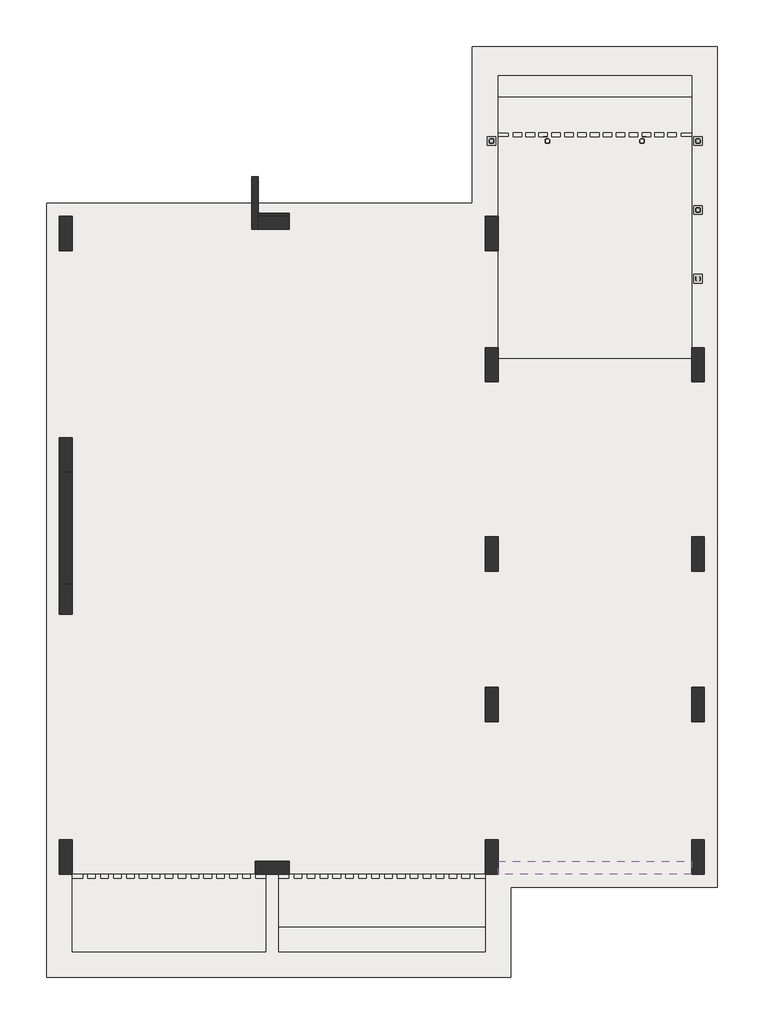
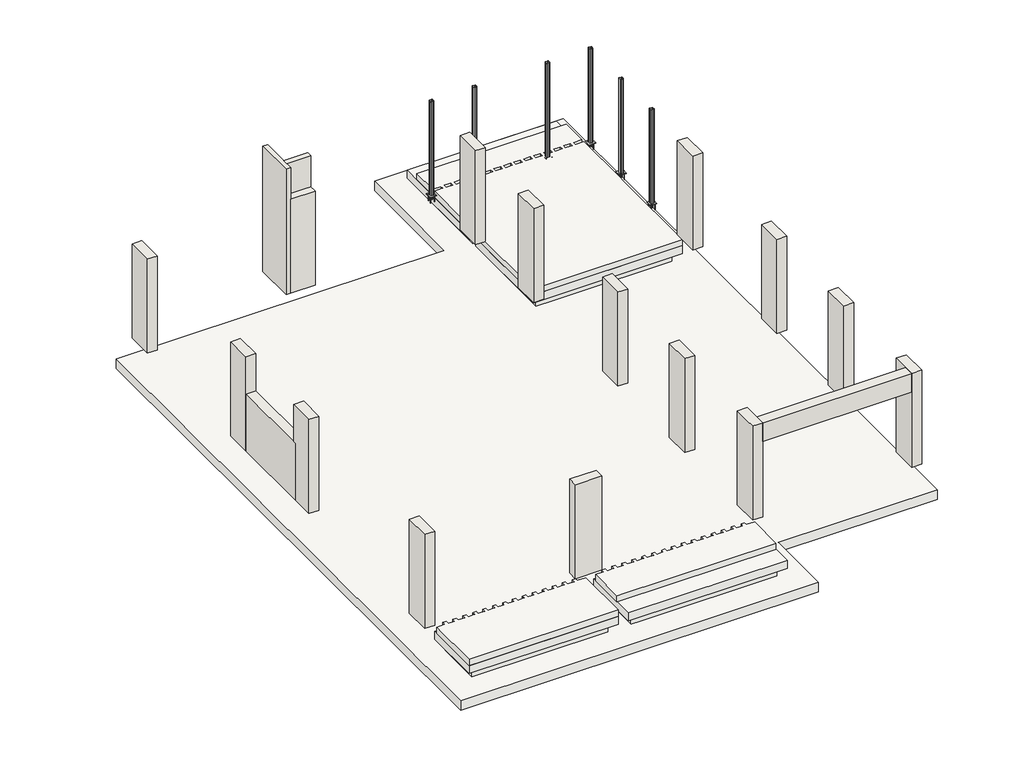
# One storey: 30 reinforcing bars, 19 walls, 7 slabs, 6 columns.
"""IFC4 building model written with IfcOpenShell, lengths in millimetres."""

import ifcopenshell
import ifcopenshell.guid

model = None  # the IFC model being written
_history = None  # IfcOwnerHistory: only IFC2X3 demands one
_inside = {}  # id of a spatial element -> (the spatial element, [elements in it])
_under = {}  # id of a project, library or spatial element -> (it, [spatial elements below it])
_declared = {}  # id of a project -> (the project, [libraries it declares])
_typed = {}  # id of a type object -> (the type object, [elements of that type])
_made_of = {}  # id of a material, layer set ... -> (it, [elements and type objects made of it])


def new_model(schema):
    """Start an empty IFC model of exactly this schema.

    Asked for "IFC4X3", IfcOpenShell would pick the latest addendum, in which some entities
    have other attributes; the version numbers below select the first issue.
    IFC2X3 requires an IfcOwnerHistory on every rooted entity: one is made here for all.
    """
    global model, _history
    if schema == "IFC4X3":
        model = ifcopenshell.file(schema_version=(4, 3, 0, 0))
    else:
        model = ifcopenshell.file(schema=schema)
    _inside.clear()
    _under.clear()
    _declared.clear()
    _typed.clear()
    _made_of.clear()
    _history = None
    if model.schema == "IFC2X3":
        org = make("IfcOrganization", Name="unknown")
        user = make(
            "IfcPersonAndOrganization",
            ThePerson=make("IfcPerson", FamilyName="unknown"),
            TheOrganization=org,
        )
        app = make(
            "IfcApplication",
            ApplicationDeveloper=org,
            Version="unknown",
            ApplicationFullName="unknown",
            ApplicationIdentifier="unknown",
        )
        _history = make(
            "IfcOwnerHistory",
            OwningUser=user,
            OwningApplication=app,
            ChangeAction="ADDED",
            CreationDate=0,
        )
    return model


def make(cls, **values):
    """One entity of the class cls with the attributes given. An attribute that is None is left unset."""
    return model.create_entity(
        cls, **{name: value for name, value in values.items() if value is not None}
    )


def rooted(cls, **values):
    """An entity with a GlobalId (a new one), such as an element, a storey or a relation."""
    return make(cls, GlobalId=ifcopenshell.guid.new(), OwnerHistory=_history, **values)


def si_unit(unit_type, name, prefix=None):
    """IfcSIUnit, for example si_unit("LENGTHUNIT", "METRE", prefix="MILLI")."""
    return make("IfcSIUnit", UnitType=unit_type, Prefix=prefix, Name=name)


def assignment(units):
    """IfcUnitAssignment: the units of a project."""
    return None if units is None else make("IfcUnitAssignment", Units=units)


def point(xyz):
    """IfcCartesianPoint."""
    return None if xyz is None else make("IfcCartesianPoint", Coordinates=xyz)


def direction(xyz):
    """IfcDirection."""
    return None if xyz is None else make("IfcDirection", DirectionRatios=xyz)


def frame(location, z_axis=None, x_axis=None):
    """IfcAxis2Placement3D, a coordinate frame: its origin and axes. An axis left out is left unset."""
    return make(
        "IfcAxis2Placement3D",
        Location=point(location),
        Axis=direction(z_axis),
        RefDirection=direction(x_axis),
    )


def frame_2d(location, x_axis=None):
    """IfcAxis2Placement2D, a coordinate frame in the plane: its origin and x axis."""
    return make(
        "IfcAxis2Placement2D", Location=point(location), RefDirection=direction(x_axis)
    )


def origin():
    """The frame at (0, 0, 0) with its axes left unset."""
    return frame((0.0, 0.0, 0.0))


def origin_with_axes():
    """The frame at (0, 0, 0) with the z axis (0, 0, 1) and the x axis (1, 0, 0) written out."""
    return frame((0.0, 0.0, 0.0), z_axis=(0.0, 0.0, 1.0), x_axis=(1.0, 0.0, 0.0))


def place(relative_to, where):
    """IfcLocalPlacement: puts the frame where relative to a parent placement (None: the world)."""
    return make(
        "IfcLocalPlacement", PlacementRelTo=relative_to, RelativePlacement=where
    )


def context(
    kind, dimensions, precision=None, world=None, true_north=None, identifier=None
):
    """IfcGeometricRepresentationContext, for example the 3D "Model" context."""
    return make(
        "IfcGeometricRepresentationContext",
        ContextIdentifier=identifier,
        ContextType=kind,
        CoordinateSpaceDimension=dimensions,
        Precision=precision,
        WorldCoordinateSystem=world,
        TrueNorth=true_north,
    )


def project(units=None, contexts=None):
    """IfcProject with its units and contexts."""
    return rooted(
        "IfcProject",
        Name="project",
        RepresentationContexts=contexts,
        UnitsInContext=assignment(units),
    )


def spatial(cls, under=None, at=None, **own):
    """A site, building, storey or space (cls), placed at a placement, below another one or the project."""
    s = rooted(cls, ObjectPlacement=at, **own)
    if under is not None:
        _under.setdefault(under.id(), (under, []))[1].append(s)
    return s


def polyline(points):
    """IfcPolyline through the points."""
    return make("IfcPolyline", Points=[point(p) for p in points])


def circle_curve(where, radius):
    """IfcCircle in the frame where."""
    return make("IfcCircle", Position=where, Radius=radius)


def trimmed(basis, trim1, trim2, sense, master):
    """IfcTrimmedCurve: the piece of a basis curve between two trims."""
    return make(
        "IfcTrimmedCurve",
        BasisCurve=basis,
        Trim1=trim1,
        Trim2=trim2,
        SenseAgreement=sense,
        MasterRepresentation=master,
    )


def segment(curve, same_sense, transition):
    """IfcCompositeCurveSegment."""
    return make(
        "IfcCompositeCurveSegment",
        Transition=transition,
        SameSense=same_sense,
        ParentCurve=curve,
    )


def composite_curve(segments, self_intersect=None):
    """IfcCompositeCurve: segments joined end to end."""
    return make("IfcCompositeCurve", Segments=segments, SelfIntersect=self_intersect)


def outline(outer, holes=None, kind="AREA"):
    """IfcArbitraryClosedProfileDef: a profile drawn as a closed curve; with holes, ...WithVoids."""
    if holes is None:
        return make("IfcArbitraryClosedProfileDef", ProfileType=kind, OuterCurve=outer)
    return make(
        "IfcArbitraryProfileDefWithVoids",
        ProfileType=kind,
        OuterCurve=outer,
        InnerCurves=holes,
    )


def extrude(swept, where, along, depth):
    """IfcExtrudedAreaSolid: the profile swept, set in the frame where, extruded along a direction by depth."""
    return make(
        "IfcExtrudedAreaSolid",
        SweptArea=swept,
        Position=where,
        ExtrudedDirection=direction(along),
        Depth=depth,
    )


def faces_of(points, faces, orient=None, outer=None):
    """IfcFace entities. A face is a list of loops; a loop is a list of indices into points, from 0.

    orient and outer hold one flag for each loop. By default every Orientation is true, the
    first loop of a face is its IfcFaceOuterBound and the others are IfcFaceBound.
    """
    made = []
    for i, loops in enumerate(faces):
        bounds = []
        for j, loop in enumerate(loops):
            is_outer = j == 0 if outer is None else outer[i][j]
            bounds.append(
                make(
                    "IfcFaceOuterBound" if is_outer else "IfcFaceBound",
                    Bound=make("IfcPolyLoop", Polygon=[points[k] for k in loop]),
                    Orientation=True if orient is None else orient[i][j],
                )
            )
        made.append(make("IfcFace", Bounds=bounds))
    return made


def faceted_brep(points, faces, orient=None, outer=None, voids=None):
    """IfcFacetedBrep: a solid bounded by flat faces; with voids (closed shells), ...WithVoids."""
    shared = [point(p) for p in points]
    hull = make("IfcClosedShell", CfsFaces=faces_of(shared, faces, orient, outer))
    if voids is None:
        return make("IfcFacetedBrep", Outer=hull)
    return make(
        "IfcFacetedBrepWithVoids",
        Outer=hull,
        Voids=[
            make(cls, CfsFaces=faces_of(shared, fs, o, b)) for cls, fs, o, b in voids
        ],
    )


def shape(context_of_items, identifier, shape_type, items):
    """IfcShapeRepresentation: the items that make up one representation, for example the "Body"."""
    return make(
        "IfcShapeRepresentation",
        ContextOfItems=context_of_items,
        RepresentationIdentifier=identifier,
        RepresentationType=shape_type,
        Items=items,
    )


def source(mapping_origin, context_of_items, identifier, shape_type, items):
    """IfcRepresentationMap: a shape defined once, which mapped items show again and again."""
    return make(
        "IfcRepresentationMap",
        MappingOrigin=mapping_origin,
        MappedRepresentation=shape(context_of_items, identifier, shape_type, items),
    )


def transform(
    local_origin,
    x_axis=None,
    y_axis=None,
    z_axis=None,
    scale=None,
    scale2=None,
    scale3=None,
    uniform=True,
):
    """IfcCartesianTransformationOperator3D, or its non-uniform kind. x_axis, y_axis, z_axis: its Axis1, 2, 3."""
    if uniform:
        return make(
            "IfcCartesianTransformationOperator3D",
            Axis1=direction(x_axis),
            Axis2=direction(y_axis),
            LocalOrigin=point(local_origin),
            Scale=scale,
            Axis3=direction(z_axis),
        )
    return make(
        "IfcCartesianTransformationOperator3DnonUniform",
        Axis1=direction(x_axis),
        Axis2=direction(y_axis),
        LocalOrigin=point(local_origin),
        Scale=scale,
        Axis3=direction(z_axis),
        Scale2=scale2,
        Scale3=scale3,
    )


def mapped(mapping_source, mapping_target):
    """IfcMappedItem: shows the shape of a source again, moved by a transform."""
    return make(
        "IfcMappedItem", MappingSource=mapping_source, MappingTarget=mapping_target
    )


def made_of(thing, what):
    """Note that an element or type object is made of a material, layer set ...; save() writes the relation."""
    if what is not None:
        _made_of.setdefault(what.id(), (what, []))[1].append(thing)
    return thing


def element(
    cls,
    number,
    at=None,
    inside=None,
    cuts=None,
    type_object=None,
    material=None,
    context=None,
    identifier="Body",
    shape_type=None,
    held_by="IfcProductDefinitionShape",
    body=None,
    shapes=None,
    **own,
):
    """One element of the class cls, such as IfcWall. Its Tag is "e" and its number.

    at: its placement. inside: the storey or other place that contains it. cuts: it is an
    opening in that element (IfcRelVoidsElement). A single representation is given by context,
    identifier, shape_type and body (its items); several are given by shapes. held_by: the class
    of the entity that holds the representations. save() writes the other relations.
    """
    e = rooted(cls, Tag="e%d" % number, ObjectPlacement=at, **own)
    if body is not None:
        shapes = [shape(context, identifier, shape_type, body)]
    if shapes is not None:
        e.Representation = make(held_by, Representations=shapes)
    if inside is not None:
        _inside.setdefault(inside.id(), (inside, []))[1].append(e)
    if cuts is not None:
        rooted(
            "IfcRelVoidsElement", RelatingBuildingElement=cuts, RelatedOpeningElement=e
        )
    if type_object is not None:
        _typed.setdefault(type_object.id(), (type_object, []))[1].append(e)
    return made_of(e, material)


def aggregate(whole, parts):
    """IfcRelAggregates: a whole, such as a stair, and the parts it consists of."""
    return rooted("IfcRelAggregates", RelatingObject=whole, RelatedObjects=parts)


def save(model, path):
    """Write the relations noted so far, then the file.

    IfcRelAggregates (storeys below a building ...), IfcRelContainedInSpatialStructure (elements
    in a storey), IfcRelDefinesByType, IfcRelAssociatesMaterial and IfcRelDeclares: one each for
    every whole, place, type object, material and project.
    """
    for whole, parts in _under.values():
        aggregate(whole, parts)
    for where, things in _inside.values():
        rooted(
            "IfcRelContainedInSpatialStructure",
            RelatedElements=things,
            RelatingStructure=where,
        )
    for kind, things in _typed.values():
        rooted("IfcRelDefinesByType", RelatedObjects=things, RelatingType=kind)
    for what, things in _made_of.values():
        rooted("IfcRelAssociatesMaterial", RelatedObjects=things, RelatingMaterial=what)
    for by, libraries in _declared.values():
        rooted("IfcRelDeclares", RelatingContext=by, RelatedDefinitions=libraries)
    model.write(path)


def column_100x100x8_b4bd9420(model_context):
    return source(origin(), model_context, "Body", "SweptSolid", [
        extrude(outline(composite_curve([segment(trimmed(circle_curve(frame_2d((30.0, 30.0)), 20.0), [point((30.0, 50.0))], [point((50.0, 30.0))], False, "CARTESIAN"), True, "CONTINUOUS"), segment(polyline([(50.0, 30.0), (50.0, -30.0)]), True, "CONTINUOUS"), segment(trimmed(circle_curve(frame_2d((30.0, -30.0)), 20.0), [point((50.0, -30.0))], [point((30.0, -50.0))], False, "CARTESIAN"), True, "CONTINUOUS"), segment(polyline([(30.0, -50.0), (-30.0, -50.0)]), True, "CONTINUOUS"), segment(trimmed(circle_curve(frame_2d((-30.0, -30.0)), 20.0), [point((-30.0, -50.0))], [point((-50.0, -30.0))], False, "CARTESIAN"), True, "CONTINUOUS"), segment(polyline([(-50.0, -30.0), (-50.0, 30.0)]), True, "CONTINUOUS"), segment(trimmed(circle_curve(frame_2d((-30.0, 30.0)), 20.0), [point((-50.0, 30.0))], [point((-30.0, 50.0))], False, "CARTESIAN"), True, "CONTINUOUS"), segment(polyline([(-30.0, 50.0), (30.0, 50.0)]), True, "CONTINUOUS")], self_intersect=False), holes=[composite_curve([segment(polyline([(30.0, 42.0), (-30.0, 42.0)]), True, "CONTINUOUS"), segment(trimmed(circle_curve(frame_2d((-30.0, 30.0)), 12.0), [point((-30.0, 42.0))], [point((-42.0, 30.0))], True, "CARTESIAN"), True, "CONTINUOUS"), segment(polyline([(-42.0, 30.0), (-42.0, -30.0)]), True, "CONTINUOUS"), segment(trimmed(circle_curve(frame_2d((-30.0, -30.0)), 12.0), [point((-42.0, -30.0))], [point((-30.0, -42.0))], True, "CARTESIAN"), True, "CONTINUOUS"), segment(polyline([(-30.0, -42.0), (30.0, -42.0)]), True, "CONTINUOUS"), segment(trimmed(circle_curve(frame_2d((30.0, -30.0)), 12.0), [point((30.0, -42.0))], [point((42.0, -30.0))], True, "CARTESIAN"), True, "CONTINUOUS"), segment(polyline([(42.0, -30.0), (42.0, 30.0)]), True, "CONTINUOUS"), segment(trimmed(circle_curve(frame_2d((30.0, 30.0)), 12.0), [point((42.0, 30.0))], [point((30.0, 42.0))], True, "CARTESIAN"), True, "CONTINUOUS")], self_intersect=False)]), origin_with_axes(), (0.0, 0.0, 1.0), 3000.0),
    ])


def reinforcing_bar_fb9bd469(model_context):
    return source(origin(), model_context, "Body", "SweptSolid", [
        extrude(outline(polyline([(262.1999552, 116.8318829), (262.1999552, -83.1681171), (62.1999552, -83.1681171), (62.1999552, 116.8318829), (262.1999552, 116.8318829)])), origin_with_axes(), (0.0, 0.0, 1.0), 8.0),
    ])


def ifc_1_e9caa0bd(model_context):
    return source(origin(), model_context, "Body", "SweptSolid", [
        extrude(outline(composite_curve([segment(trimmed(circle_curve(frame_2d((62.1999552, 16.8318829)), 6.0), [point((56.1999552, 16.8318829))], [point((68.1999552, 16.8318829))], False, "CARTESIAN"), True, "CONTINUOUS"), segment(trimmed(circle_curve(frame_2d((62.1999552, 16.8318829)), 6.0), [point((68.1999552, 16.8318829))], [point((56.1999552, 16.8318829))], False, "CARTESIAN"), True, "CONTINUOUS")], self_intersect=False)), origin_with_axes(), (0.0, 0.0, 1.0), 200.0),
    ])


model = new_model("IFC4")

# Units and contexts
model_context = context("Model", 3, world=origin())
ifc_project = project(units=[si_unit("LENGTHUNIT", "METRE", prefix="MILLI")], contexts=[model_context])

# Site, building, storey
site = spatial("IfcSite", under=ifc_project)
building = spatial("IfcBuilding", under=site)
storey = spatial("IfcBuildingStorey", under=building, Elevation=-50.0)

# Columns
placement = place(None, origin())
column_100x100x8_shape = column_100x100x8_b4bd9420(model_context)
element("IfcColumn", 1, ObjectType="100x100x8", at=placement, inside=storey, context=model_context, shape_type="MappedRepresentation", body=[
    mapped(column_100x100x8_shape, transform((14764.4559604, 22422.6573753, -50.0), x_axis=(-1.0, 0.0, 0.0), y_axis=(0.0, -1.0, 0.0), z_axis=(0.0, 0.0, 1.0))),
])
element("IfcColumn", 2, ObjectType="100x100x8", at=placement, inside=storey, context=model_context, shape_type="MappedRepresentation", body=[
    mapped(column_100x100x8_shape, transform((16064.4559604, 22422.6573753, -50.0), x_axis=(-1.0, 0.0, 0.0), y_axis=(0.0, -1.0, 0.0), z_axis=(0.0, 0.0, 1.0))),
])
element("IfcColumn", 3, ObjectType="100x100x8", at=placement, inside=storey, context=model_context, shape_type="MappedRepresentation", body=[
    mapped(column_100x100x8_shape, transform((18264.4559604, 22422.6573753, -50.0), x_axis=(-1.0, 0.0, 0.0), y_axis=(0.0, -1.0, 0.0), z_axis=(0.0, 0.0, 1.0))),
])
element("IfcColumn", 4, ObjectType="100x100x8", at=placement, inside=storey, context=model_context, shape_type="MappedRepresentation", body=[
    mapped(column_100x100x8_shape, transform((19564.4559604, 22422.6573753, -50.0), x_axis=(-1.0, 0.0, 0.0), y_axis=(0.0, -1.0, 0.0), z_axis=(0.0, 0.0, 1.0))),
])
element("IfcColumn", 5, ObjectType="100x100x8", at=placement, inside=storey, context=model_context, shape_type="MappedRepresentation", body=[
    mapped(column_100x100x8_shape, transform((19564.4559604, 20822.6573753, -50.0), x_axis=(-1.0, 0.0, 0.0), y_axis=(0.0, -1.0, 0.0), z_axis=(0.0, 0.0, 1.0))),
])
element("IfcColumn", 6, ObjectType="100x100x8", at=placement, inside=storey, context=model_context, shape_type="MappedRepresentation", body=[
    mapped(column_100x100x8_shape, transform((19564.4559604, 19222.6573753, -50.0), x_axis=(-1.0, 0.0, 0.0), y_axis=(0.0, -1.0, 0.0), z_axis=(0.0, 0.0, 1.0))),
])

# Reinforcing bars
reinforcing_bar_shape = reinforcing_bar_fb9bd469(model_context)
element("IfcReinforcingBar", 7, at=placement, inside=storey, context=model_context, shape_type="MappedRepresentation", body=[
    mapped(reinforcing_bar_shape, transform((14602.2560052, 22439.4892582, -50.0), x_axis=(1.0, 0.0, 0.0), y_axis=(0.0, -1.0, 0.0), z_axis=(0.0, 0.0, -1.0))),
])
element("IfcReinforcingBar", 8, at=placement, inside=storey, context=model_context, shape_type="MappedRepresentation", body=[
    mapped(reinforcing_bar_shape, transform((15902.2560052, 22439.4892582, -50.0), x_axis=(1.0, 0.0, 0.0), y_axis=(0.0, -1.0, 0.0), z_axis=(0.0, 0.0, -1.0))),
])
element("IfcReinforcingBar", 9, at=placement, inside=storey, context=model_context, shape_type="MappedRepresentation", body=[
    mapped(reinforcing_bar_shape, transform((18102.2560052, 22439.4892582, -50.0), x_axis=(1.0, 0.0, 0.0), y_axis=(0.0, -1.0, 0.0), z_axis=(0.0, 0.0, -1.0))),
])
element("IfcReinforcingBar", 10, at=placement, inside=storey, context=model_context, shape_type="MappedRepresentation", body=[
    mapped(reinforcing_bar_shape, transform((19402.2560052, 22439.4892582, -50.0), x_axis=(1.0, 0.0, 0.0), y_axis=(0.0, -1.0, 0.0), z_axis=(0.0, 0.0, -1.0))),
])
element("IfcReinforcingBar", 11, at=placement, inside=storey, context=model_context, shape_type="MappedRepresentation", body=[
    mapped(reinforcing_bar_shape, transform((19402.2560052, 20839.4892582, -50.0), x_axis=(1.0, 0.0, 0.0), y_axis=(0.0, -1.0, 0.0), z_axis=(0.0, 0.0, -1.0))),
])
element("IfcReinforcingBar", 12, at=placement, inside=storey, context=model_context, shape_type="MappedRepresentation", body=[
    mapped(reinforcing_bar_shape, transform((19402.2560052, 19239.4892582, -50.0), x_axis=(1.0, 0.0, 0.0), y_axis=(0.0, -1.0, 0.0), z_axis=(0.0, 0.0, -1.0))),
])
ifc_1_shape = ifc_1_e9caa0bd(model_context)
element("IfcReinforcingBar", 13, ObjectType="IFC_1", at=placement, inside=storey, context=model_context, shape_type="MappedRepresentation", body=[
    mapped(ifc_1_shape, transform((14642.2560052, 22499.4892582, -58.0), x_axis=(1.0, 0.0, 0.0), y_axis=(0.0, -1.0, 0.0), z_axis=(0.0, 0.0, -1.0))),
])
element("IfcReinforcingBar", 14, ObjectType="IFC_1", at=placement, inside=storey, context=model_context, shape_type="MappedRepresentation", body=[
    mapped(ifc_1_shape, transform((14762.2560052, 22499.4892582, -58.0), x_axis=(1.0, 0.0, 0.0), y_axis=(0.0, -1.0, 0.0), z_axis=(0.0, 0.0, -1.0))),
])
element("IfcReinforcingBar", 15, ObjectType="IFC_1", at=placement, inside=storey, context=model_context, shape_type="MappedRepresentation", body=[
    mapped(ifc_1_shape, transform((14642.2560052, 22379.4892582, -58.0), x_axis=(1.0, 0.0, 0.0), y_axis=(0.0, -1.0, 0.0), z_axis=(0.0, 0.0, -1.0))),
])
element("IfcReinforcingBar", 16, ObjectType="IFC_1", at=placement, inside=storey, context=model_context, shape_type="MappedRepresentation", body=[
    mapped(ifc_1_shape, transform((14762.2560052, 22379.4892582, -58.0), x_axis=(1.0, 0.0, 0.0), y_axis=(0.0, -1.0, 0.0), z_axis=(0.0, 0.0, -1.0))),
])
element("IfcReinforcingBar", 17, ObjectType="IFC_1", at=placement, inside=storey, context=model_context, shape_type="MappedRepresentation", body=[
    mapped(ifc_1_shape, transform((15942.2560052, 22499.4892582, -58.0), x_axis=(1.0, 0.0, 0.0), y_axis=(0.0, -1.0, 0.0), z_axis=(0.0, 0.0, -1.0))),
])
element("IfcReinforcingBar", 18, ObjectType="IFC_1", at=placement, inside=storey, context=model_context, shape_type="MappedRepresentation", body=[
    mapped(ifc_1_shape, transform((16062.2560052, 22499.4892582, -58.0), x_axis=(1.0, 0.0, 0.0), y_axis=(0.0, -1.0, 0.0), z_axis=(0.0, 0.0, -1.0))),
])
element("IfcReinforcingBar", 19, ObjectType="IFC_1", at=placement, inside=storey, context=model_context, shape_type="MappedRepresentation", body=[
    mapped(ifc_1_shape, transform((15942.2560052, 22379.4892582, -58.0), x_axis=(1.0, 0.0, 0.0), y_axis=(0.0, -1.0, 0.0), z_axis=(0.0, 0.0, -1.0))),
])
element("IfcReinforcingBar", 20, ObjectType="IFC_1", at=placement, inside=storey, context=model_context, shape_type="MappedRepresentation", body=[
    mapped(ifc_1_shape, transform((16062.2560052, 22379.4892582, -58.0), x_axis=(1.0, 0.0, 0.0), y_axis=(0.0, -1.0, 0.0), z_axis=(0.0, 0.0, -1.0))),
])
element("IfcReinforcingBar", 21, ObjectType="IFC_1", at=placement, inside=storey, context=model_context, shape_type="MappedRepresentation", body=[
    mapped(ifc_1_shape, transform((18142.2560052, 22499.4892582, -58.0), x_axis=(1.0, 0.0, 0.0), y_axis=(0.0, -1.0, 0.0), z_axis=(0.0, 0.0, -1.0))),
])
element("IfcReinforcingBar", 22, ObjectType="IFC_1", at=placement, inside=storey, context=model_context, shape_type="MappedRepresentation", body=[
    mapped(ifc_1_shape, transform((18262.2560052, 22499.4892582, -58.0), x_axis=(1.0, 0.0, 0.0), y_axis=(0.0, -1.0, 0.0), z_axis=(0.0, 0.0, -1.0))),
])
element("IfcReinforcingBar", 23, ObjectType="IFC_1", at=placement, inside=storey, context=model_context, shape_type="MappedRepresentation", body=[
    mapped(ifc_1_shape, transform((18142.2560052, 22379.4892582, -58.0), x_axis=(1.0, 0.0, 0.0), y_axis=(0.0, -1.0, 0.0), z_axis=(0.0, 0.0, -1.0))),
])
element("IfcReinforcingBar", 24, ObjectType="IFC_1", at=placement, inside=storey, context=model_context, shape_type="MappedRepresentation", body=[
    mapped(ifc_1_shape, transform((18262.2560052, 22379.4892582, -58.0), x_axis=(1.0, 0.0, 0.0), y_axis=(0.0, -1.0, 0.0), z_axis=(0.0, 0.0, -1.0))),
])
element("IfcReinforcingBar", 25, ObjectType="IFC_1", at=placement, inside=storey, context=model_context, shape_type="MappedRepresentation", body=[
    mapped(ifc_1_shape, transform((19442.2560052, 22499.4892582, -58.0), x_axis=(1.0, 0.0, 0.0), y_axis=(0.0, -1.0, 0.0), z_axis=(0.0, 0.0, -1.0))),
])
element("IfcReinforcingBar", 26, ObjectType="IFC_1", at=placement, inside=storey, context=model_context, shape_type="MappedRepresentation", body=[
    mapped(ifc_1_shape, transform((19562.2560052, 22499.4892582, -58.0), x_axis=(1.0, 0.0, 0.0), y_axis=(0.0, -1.0, 0.0), z_axis=(0.0, 0.0, -1.0))),
])
element("IfcReinforcingBar", 27, ObjectType="IFC_1", at=placement, inside=storey, context=model_context, shape_type="MappedRepresentation", body=[
    mapped(ifc_1_shape, transform((19442.2560052, 22379.4892582, -58.0), x_axis=(1.0, 0.0, 0.0), y_axis=(0.0, -1.0, 0.0), z_axis=(0.0, 0.0, -1.0))),
])
element("IfcReinforcingBar", 28, ObjectType="IFC_1", at=placement, inside=storey, context=model_context, shape_type="MappedRepresentation", body=[
    mapped(ifc_1_shape, transform((19562.2560052, 22379.4892582, -58.0), x_axis=(1.0, 0.0, 0.0), y_axis=(0.0, -1.0, 0.0), z_axis=(0.0, 0.0, -1.0))),
])
element("IfcReinforcingBar", 29, ObjectType="IFC_1", at=placement, inside=storey, context=model_context, shape_type="MappedRepresentation", body=[
    mapped(ifc_1_shape, transform((19442.2560052, 20899.4892582, -58.0), x_axis=(1.0, 0.0, 0.0), y_axis=(0.0, -1.0, 0.0), z_axis=(0.0, 0.0, -1.0))),
])
element("IfcReinforcingBar", 30, ObjectType="IFC_1", at=placement, inside=storey, context=model_context, shape_type="MappedRepresentation", body=[
    mapped(ifc_1_shape, transform((19562.2560052, 20899.4892582, -58.0), x_axis=(1.0, 0.0, 0.0), y_axis=(0.0, -1.0, 0.0), z_axis=(0.0, 0.0, -1.0))),
])
element("IfcReinforcingBar", 31, ObjectType="IFC_1", at=placement, inside=storey, context=model_context, shape_type="MappedRepresentation", body=[
    mapped(ifc_1_shape, transform((19442.2560052, 20779.4892582, -58.0), x_axis=(1.0, 0.0, 0.0), y_axis=(0.0, -1.0, 0.0), z_axis=(0.0, 0.0, -1.0))),
])
element("IfcReinforcingBar", 32, ObjectType="IFC_1", at=placement, inside=storey, context=model_context, shape_type="MappedRepresentation", body=[
    mapped(ifc_1_shape, transform((19562.2560052, 20779.4892582, -58.0), x_axis=(1.0, 0.0, 0.0), y_axis=(0.0, -1.0, 0.0), z_axis=(0.0, 0.0, -1.0))),
])
element("IfcReinforcingBar", 33, ObjectType="IFC_1", at=placement, inside=storey, context=model_context, shape_type="MappedRepresentation", body=[
    mapped(ifc_1_shape, transform((19442.2560052, 19299.4892582, -58.0), x_axis=(1.0, 0.0, 0.0), y_axis=(0.0, -1.0, 0.0), z_axis=(0.0, 0.0, -1.0))),
])
element("IfcReinforcingBar", 34, ObjectType="IFC_1", at=placement, inside=storey, context=model_context, shape_type="MappedRepresentation", body=[
    mapped(ifc_1_shape, transform((19562.2560052, 19299.4892582, -58.0), x_axis=(1.0, 0.0, 0.0), y_axis=(0.0, -1.0, 0.0), z_axis=(0.0, 0.0, -1.0))),
])
element("IfcReinforcingBar", 35, ObjectType="IFC_1", at=placement, inside=storey, context=model_context, shape_type="MappedRepresentation", body=[
    mapped(ifc_1_shape, transform((19442.2560052, 19179.4892582, -58.0), x_axis=(1.0, 0.0, 0.0), y_axis=(0.0, -1.0, 0.0), z_axis=(0.0, 0.0, -1.0))),
])
element("IfcReinforcingBar", 36, ObjectType="IFC_1", at=placement, inside=storey, context=model_context, shape_type="MappedRepresentation", body=[
    mapped(ifc_1_shape, transform((19562.2560052, 19179.4892582, -58.0), x_axis=(1.0, 0.0, 0.0), y_axis=(0.0, -1.0, 0.0), z_axis=(0.0, 0.0, -1.0))),
])

# Slabs
element("IfcSlab", 37, at=placement, inside=storey, context=model_context, shape_type="Brep", body=[
    faceted_brep([(19414.4559604, 17372.6573753, -250.0), (14914.4559604, 17372.6573753, -250.0), (14914.4559604, 20372.6573753, -250.0), (14914.4559604, 20672.6573753, -250.0), (14914.4559604, 22522.6573753, -250.0), (15164.4559604, 22522.6573753, -250.0), (15164.4559604, 22622.6573753, -250.0), (14914.4559604, 22622.6573753, -250.0), (14914.4559604, 23442.5258191, -250.0), (19414.4559604, 23442.5258191, -250.0), (19414.4559604, 22622.6573753, -250.0), (19164.4559604, 22622.6573753, -250.0), (19164.4559604, 22522.6573753, -250.0), (19414.4559604, 22522.6573753, -250.0), (19414.4559604, 20672.6573753, -250.0), (19414.4559604, 20372.6573753, -250.0), (15464.4559604, 22622.6573753, -250.0), (15264.4559604, 22622.6573753, -250.0), (15264.4559604, 22522.6573753, -250.0), (15464.4559604, 22522.6573753, -250.0), (15764.4559604, 22622.6573753, -250.0), (15564.4559604, 22622.6573753, -250.0), (15564.4559604, 22522.6573753, -250.0), (15764.4559604, 22522.6573753, -250.0), (16364.4559604, 22622.6573753, -250.0), (16164.4559604, 22622.6573753, -250.0), (16164.4559604, 22522.6573753, -250.0), (16364.4559604, 22522.6573753, -250.0), (16064.4559604, 22622.6573753, -250.0), (15864.4559604, 22622.6573753, -250.0), (15864.4559604, 22522.6573753, -250.0), (16064.4559604, 22522.6573753, -250.0), (16964.4559604, 22622.6573753, -250.0), (16764.4559604, 22622.6573753, -250.0), (16764.4559604, 22522.6573753, -250.0), (16964.4559604, 22522.6573753, -250.0), (17264.4559604, 22622.6573753, -250.0), (17064.4559604, 22622.6573753, -250.0), (17064.4559604, 22522.6573753, -250.0), (17264.4559604, 22522.6573753, -250.0), (16664.4559604, 22622.6573753, -250.0), (16464.4559604, 22622.6573753, -250.0), (16464.4559604, 22522.6573753, -250.0), (16664.4559604, 22522.6573753, -250.0), (17864.4559604, 22622.6573753, -250.0), (17664.4559604, 22622.6573753, -250.0), (17664.4559604, 22522.6573753, -250.0), (17864.4559604, 22522.6573753, -250.0), (18164.4559604, 22622.6573753, -250.0), (17964.4559604, 22622.6573753, -250.0), (17964.4559604, 22522.6573753, -250.0), (18164.4559604, 22522.6573753, -250.0), (17564.4559604, 22622.6573753, -250.0), (17364.4559604, 22622.6573753, -250.0), (17364.4559604, 22522.6573753, -250.0), (17564.4559604, 22522.6573753, -250.0), (18764.4559604, 22622.6573753, -250.0), (18564.4559604, 22622.6573753, -250.0), (18564.4559604, 22522.6573753, -250.0), (18764.4559604, 22522.6573753, -250.0), (19064.4559604, 22622.6573753, -250.0), (18864.4559604, 22622.6573753, -250.0), (18864.4559604, 22522.6573753, -250.0), (19064.4559604, 22522.6573753, -250.0), (18464.4559604, 22622.6573753, -250.0), (18264.4559604, 22622.6573753, -250.0), (18264.4559604, 22522.6573753, -250.0), (18464.4559604, 22522.6573753, -250.0), (14914.4559604, 17372.6573753, -50.0), (19414.4559604, 17372.6573753, -50.0), (19414.4559604, 20372.6573753, -50.0), (19414.4559604, 20672.6573753, -50.0), (19414.4559604, 22522.6573753, -50.0), (19164.4559604, 22522.6573753, -50.0), (19164.4559604, 22622.6573753, -50.0), (19414.4559604, 22622.6573753, -50.0), (19414.4559604, 23442.5258191, -50.0), (14914.4559604, 23442.5258191, -50.0), (14914.4559604, 22622.6573753, -50.0), (15164.4559604, 22622.6573753, -50.0), (15164.4559604, 22522.6573753, -50.0), (14914.4559604, 22522.6573753, -50.0), (14914.4559604, 20672.6573753, -50.0), (14914.4559604, 20372.6573753, -50.0), (15264.4559604, 22622.6573753, -50.0), (15464.4559604, 22622.6573753, -50.0), (15464.4559604, 22522.6573753, -50.0), (15264.4559604, 22522.6573753, -50.0), (15564.4559604, 22622.6573753, -50.0), (15764.4559604, 22622.6573753, -50.0), (15764.4559604, 22522.6573753, -50.0), (15564.4559604, 22522.6573753, -50.0), (16164.4559604, 22622.6573753, -50.0), (16364.4559604, 22622.6573753, -50.0), (16364.4559604, 22522.6573753, -50.0), (16164.4559604, 22522.6573753, -50.0), (15864.4559604, 22622.6573753, -50.0), (16064.4559604, 22622.6573753, -50.0), (16064.4559604, 22522.6573753, -50.0), (15864.4559604, 22522.6573753, -50.0), (16764.4559604, 22622.6573753, -50.0), (16964.4559604, 22622.6573753, -50.0), (16964.4559604, 22522.6573753, -50.0), (16764.4559604, 22522.6573753, -50.0), (17064.4559604, 22622.6573753, -50.0), (17264.4559604, 22622.6573753, -50.0), (17264.4559604, 22522.6573753, -50.0), (17064.4559604, 22522.6573753, -50.0), (16464.4559604, 22622.6573753, -50.0), (16664.4559604, 22622.6573753, -50.0), (16664.4559604, 22522.6573753, -50.0), (16464.4559604, 22522.6573753, -50.0), (17664.4559604, 22622.6573753, -50.0), (17864.4559604, 22622.6573753, -50.0), (17864.4559604, 22522.6573753, -50.0), (17664.4559604, 22522.6573753, -50.0), (17964.4559604, 22622.6573753, -50.0), (18164.4559604, 22622.6573753, -50.0), (18164.4559604, 22522.6573753, -50.0), (17964.4559604, 22522.6573753, -50.0), (17364.4559604, 22622.6573753, -50.0), (17564.4559604, 22622.6573753, -50.0), (17564.4559604, 22522.6573753, -50.0), (17364.4559604, 22522.6573753, -50.0), (18564.4559604, 22622.6573753, -50.0), (18764.4559604, 22622.6573753, -50.0), (18764.4559604, 22522.6573753, -50.0), (18564.4559604, 22522.6573753, -50.0), (18864.4559604, 22622.6573753, -50.0), (19064.4559604, 22622.6573753, -50.0), (19064.4559604, 22522.6573753, -50.0), (18864.4559604, 22522.6573753, -50.0), (18264.4559604, 22622.6573753, -50.0), (18464.4559604, 22622.6573753, -50.0), (18464.4559604, 22522.6573753, -50.0), (18264.4559604, 22522.6573753, -50.0)], [[[0, 1, 2, 3, 4, 5, 6, 7, 8, 9, 10, 11, 12, 13, 14, 15], [16, 17, 18, 19], [20, 21, 22, 23], [24, 25, 26, 27], [28, 29, 30, 31], [32, 33, 34, 35], [36, 37, 38, 39], [40, 41, 42, 43], [44, 45, 46, 47], [48, 49, 50, 51], [52, 53, 54, 55], [56, 57, 58, 59], [60, 61, 62, 63], [64, 65, 66, 67]], [[68, 69, 70, 71, 72, 73, 74, 75, 76, 77, 78, 79, 80, 81, 82, 83], [84, 85, 86, 87], [88, 89, 90, 91], [92, 93, 94, 95], [96, 97, 98, 99], [100, 101, 102, 103], [104, 105, 106, 107], [108, 109, 110, 111], [112, 113, 114, 115], [116, 117, 118, 119], [120, 121, 122, 123], [124, 125, 126, 127], [128, 129, 130, 131], [132, 133, 134, 135]], [[1, 0, 69, 68]], [[1, 68, 83, 82, 81, 4, 3, 2]], [[77, 8, 7, 78]], [[9, 8, 77, 76]], [[69, 0, 15, 14, 13, 72, 71, 70]], [[9, 76, 75, 10]], [[84, 17, 16, 85]], [[17, 84, 87, 18]], [[18, 87, 86, 19]], [[85, 16, 19, 86]], [[6, 79, 78, 7]], [[80, 5, 4, 81]], [[79, 6, 5, 80]], [[88, 21, 20, 89]], [[21, 88, 91, 22]], [[22, 91, 90, 23]], [[89, 20, 23, 90]], [[92, 25, 24, 93]], [[25, 92, 95, 26]], [[26, 95, 94, 27]], [[93, 24, 27, 94]], [[96, 29, 28, 97]], [[29, 96, 99, 30]], [[30, 99, 98, 31]], [[97, 28, 31, 98]], [[100, 33, 32, 101]], [[33, 100, 103, 34]], [[34, 103, 102, 35]], [[101, 32, 35, 102]], [[104, 37, 36, 105]], [[37, 104, 107, 38]], [[38, 107, 106, 39]], [[105, 36, 39, 106]], [[108, 41, 40, 109]], [[41, 108, 111, 42]], [[42, 111, 110, 43]], [[109, 40, 43, 110]], [[112, 45, 44, 113]], [[45, 112, 115, 46]], [[46, 115, 114, 47]], [[113, 44, 47, 114]], [[116, 49, 48, 117]], [[49, 116, 119, 50]], [[50, 119, 118, 51]], [[117, 48, 51, 118]], [[120, 53, 52, 121]], [[53, 120, 123, 54]], [[54, 123, 122, 55]], [[121, 52, 55, 122]], [[124, 57, 56, 125]], [[57, 124, 127, 58]], [[58, 127, 126, 59]], [[125, 56, 59, 126]], [[128, 61, 60, 129]], [[61, 128, 131, 62]], [[62, 131, 130, 63]], [[129, 60, 63, 130]], [[132, 65, 64, 133]], [[65, 132, 135, 66]], [[66, 135, 134, 67]], [[133, 64, 67, 134]], [[74, 11, 10, 75]], [[11, 74, 73, 12]], [[12, 73, 72, 13]]]),
])
element("IfcSlab", 38, at=placement, inside=storey, context=model_context, shape_type="SweptSolid", body=[
    extrude(outline(polyline([(9514.4559604, 3572.6573753), (5014.4559604, 3572.6573753), (5014.4559604, 5272.6573753), (5264.4559604, 5272.6573753), (5264.4559604, 5372.6573753), (5364.4559604, 5372.6573753), (5364.4559604, 5272.6573753), (5564.4559604, 5272.6573753), (5564.4559604, 5372.6573753), (5664.4559604, 5372.6573753), (5664.4559604, 5272.6573753), (5864.4559604, 5272.6573753), (5864.4559604, 5372.6573753), (5964.4559604, 5372.6573753), (5964.4559604, 5272.6573753), (6164.4559604, 5272.6573753), (6164.4559604, 5372.6573753), (6264.4559604, 5372.6573753), (6264.4559604, 5272.6573753), (6464.4559604, 5272.6573753), (6464.4559604, 5372.6573753), (6564.4559604, 5372.6573753), (6564.4559604, 5272.6573753), (6764.4559604, 5272.6573753), (6764.4559604, 5372.6573753), (6864.4559604, 5372.6573753), (6864.4559604, 5272.6573753), (7064.4559604, 5272.6573753), (7064.4559604, 5372.6573753), (7164.4559604, 5372.6573753), (7164.4559604, 5272.6573753), (7364.4559604, 5272.6573753), (7364.4559604, 5372.6573753), (7464.4559604, 5372.6573753), (7464.4559604, 5272.6573753), (7664.4559604, 5272.6573753), (7664.4559604, 5372.6573753), (7764.4559604, 5372.6573753), (7764.4559604, 5272.6573753), (7964.4559604, 5272.6573753), (7964.4559604, 5372.6573753), (8064.4559604, 5372.6573753), (8064.4559604, 5272.6573753), (8264.4559604, 5272.6573753), (8264.4559604, 5372.6573753), (8364.4559604, 5372.6573753), (8364.4559604, 5272.6573753), (8564.4559604, 5272.6573753), (8564.4559604, 5372.6573753), (8664.4559604, 5372.6573753), (8664.4559604, 5272.6573753), (8864.4559604, 5272.6573753), (8864.4559604, 5372.6573753), (8964.4559604, 5372.6573753), (8964.4559604, 5272.6573753), (9164.4559604, 5272.6573753), (9164.4559604, 5372.6573753), (9264.4559604, 5372.6573753), (9264.4559604, 5272.6573753), (9514.4559604, 5272.6573753), (9514.4559604, 3572.6573753)])), frame((0.0, 0.0, -250.0), z_axis=(0.0, 0.0, 1.0), x_axis=(1.0, 0.0, 0.0)), (0.0, 0.0, 1.0), 200.0),
])
element("IfcSlab", 39, at=placement, inside=storey, context=model_context, shape_type="SweptSolid", body=[
    extrude(outline(polyline([(14614.4559604, 4152.7889315), (9814.4559604, 4152.7889315), (9814.4559604, 5272.6573753), (10064.4559604, 5272.6573753), (10064.4559604, 5372.6573753), (10164.4559604, 5372.6573753), (10164.4559604, 5272.6573753), (10364.4559604, 5272.6573753), (10364.4559604, 5372.6573753), (10464.4559604, 5372.6573753), (10464.4559604, 5272.6573753), (10664.4559604, 5272.6573753), (10664.4559604, 5372.6573753), (10764.4559604, 5372.6573753), (10764.4559604, 5272.6573753), (10964.4559604, 5272.6573753), (10964.4559604, 5372.6573753), (11064.4559604, 5372.6573753), (11064.4559604, 5272.6573753), (11264.4559604, 5272.6573753), (11264.4559604, 5372.6573753), (11364.4559604, 5372.6573753), (11364.4559604, 5272.6573753), (11564.4559604, 5272.6573753), (11564.4559604, 5372.6573753), (11664.4559604, 5372.6573753), (11664.4559604, 5272.6573753), (11864.4559604, 5272.6573753), (11864.4559604, 5372.6573753), (11964.4559604, 5372.6573753), (11964.4559604, 5272.6573753), (12164.4559604, 5272.6573753), (12164.4559604, 5372.6573753), (12264.4559604, 5372.6573753), (12264.4559604, 5272.6573753), (12464.4559604, 5272.6573753), (12464.4559604, 5372.6573753), (12564.4559604, 5372.6573753), (12564.4559604, 5272.6573753), (12764.4559604, 5272.6573753), (12764.4559604, 5372.6573753), (12864.4559604, 5372.6573753), (12864.4559604, 5272.6573753), (13064.4559604, 5272.6573753), (13064.4559604, 5372.6573753), (13164.4559604, 5372.6573753), (13164.4559604, 5272.6573753), (13364.4559604, 5272.6573753), (13364.4559604, 5372.6573753), (13464.4559604, 5372.6573753), (13464.4559604, 5272.6573753), (13664.4559604, 5272.6573753), (13664.4559604, 5372.6573753), (13764.4559604, 5372.6573753), (13764.4559604, 5272.6573753), (13964.4559604, 5272.6573753), (13964.4559604, 5372.6573753), (14064.4559604, 5372.6573753), (14064.4559604, 5272.6573753), (14264.4559604, 5272.6573753), (14264.4559604, 5372.6573753), (14364.4559604, 5372.6573753), (14364.4559604, 5272.6573753), (14614.4559604, 5272.6573753), (14614.4559604, 4152.7889315)])), frame((0.0, 0.0, -250.0), z_axis=(0.0, 0.0, 1.0), x_axis=(1.0, 0.0, 0.0)), (0.0, 0.0, 1.0), 200.0),
])
element("IfcSlab", 40, at=placement, inside=storey, context=model_context, shape_type="SweptSolid", body=[
    extrude(outline(polyline([(14314.4559604, 24622.6573753), (20014.4559604, 24622.6573753), (20014.4559604, 5072.6573753), (15214.4559604, 5072.6573753), (15214.4559604, 2972.6573753), (4414.4559604, 2972.6573753), (4414.4559604, 20972.6573753), (14314.4559604, 20972.6573753), (14314.4559604, 24622.6573753)]), holes=[polyline([(19114.4559604, 23722.6573753), (15214.4559604, 23722.6573753), (15214.4559604, 20972.6573753), (19114.4559604, 20972.6573753), (19114.4559604, 23722.6573753)]), polyline([(15214.4559604, 20072.6573753), (15214.4559604, 17672.6573753), (19114.4559604, 17672.6573753), (19114.4559604, 20072.6573753), (15214.4559604, 20072.6573753)]), polyline([(5314.4559604, 3872.6573753), (9214.4559604, 3872.6573753), (9214.4559604, 5072.6573753), (5314.4559604, 5072.6573753), (5314.4559604, 3872.6573753)]), polyline([(14314.4559604, 3872.6573753), (14314.4559604, 5072.6573753), (10114.4559604, 5072.6573753), (10114.4559604, 3872.6573753), (14314.4559604, 3872.6573753)])]), frame((0.0, 0.0, -1100.0), z_axis=(0.0, 0.0, 1.0), x_axis=(1.0, 0.0, 0.0)), (0.0, 0.0, 1.0), 300.0),
])
element("IfcSlab", 41, at=placement, inside=storey, context=model_context, shape_type="SweptSolid", body=[
    extrude(outline(polyline([(19114.4559604, 23722.6573753), (19114.4559604, 20972.6573753), (15214.4559604, 20972.6573753), (15214.4559604, 23722.6573753), (19114.4559604, 23722.6573753)])), frame((0.0, 0.0, -1100.0), z_axis=(0.0, 0.0, 1.0), x_axis=(1.0, 0.0, 0.0)), (0.0, 0.0, 1.0), 300.0),
    extrude(outline(polyline([(15214.4559604, 20072.6573753), (19114.4559604, 20072.6573753), (19114.4559604, 17672.6573753), (15214.4559604, 17672.6573753), (15214.4559604, 20072.6573753)])), frame((0.0, 0.0, -1100.0), z_axis=(0.0, 0.0, 1.0), x_axis=(1.0, 0.0, 0.0)), (0.0, 0.0, 1.0), 300.0),
    extrude(outline(polyline([(5314.4559604, 3872.6573753), (5314.4559604, 5072.6573753), (9214.4559604, 5072.6573753), (9214.4559604, 3872.6573753), (5314.4559604, 3872.6573753)])), frame((0.0, 0.0, -1100.0), z_axis=(0.0, 0.0, 1.0), x_axis=(1.0, 0.0, 0.0)), (0.0, 0.0, 1.0), 300.0),
    extrude(outline(polyline([(14314.4559604, 3872.6573753), (10114.4559604, 3872.6573753), (10114.4559604, 5072.6573753), (14314.4559604, 5072.6573753), (14314.4559604, 3872.6573753)])), frame((0.0, 0.0, -1100.0), z_axis=(0.0, 0.0, 1.0), x_axis=(1.0, 0.0, 0.0)), (0.0, 0.0, 1.0), 300.0),
])
element("IfcSlab", 42, at=placement, inside=storey, context=model_context, shape_type="SweptSolid", body=[
    extrude(outline(polyline([(19214.4559604, 23822.6573753), (19214.4559604, 20872.6573753), (15114.4559604, 20872.6573753), (15114.4559604, 23822.6573753), (19214.4559604, 23822.6573753)])), frame((0.0, 0.0, -800.0), z_axis=(0.0, 0.0, 1.0), x_axis=(1.0, 0.0, 0.0)), (0.0, 0.0, 1.0), 300.0),
    extrude(outline(polyline([(15114.4559604, 20172.6573753), (19214.4559604, 20172.6573753), (19214.4559604, 17572.6573753), (15114.4559604, 17572.6573753), (15114.4559604, 20172.6573753)])), frame((0.0, 0.0, -800.0), z_axis=(0.0, 0.0, 1.0), x_axis=(1.0, 0.0, 0.0)), (0.0, 0.0, 1.0), 300.0),
    extrude(outline(polyline([(5214.4559604, 3772.6573753), (5214.4559604, 5172.6573753), (9314.4559604, 5172.6573753), (9314.4559604, 3772.6573753), (5214.4559604, 3772.6573753)])), frame((0.0, 0.0, -800.0), z_axis=(0.0, 0.0, 1.0), x_axis=(1.0, 0.0, 0.0)), (0.0, 0.0, 1.0), 300.0),
    extrude(outline(polyline([(14414.4559604, 3772.6573753), (10014.4559604, 3772.6573753), (10014.4559604, 5172.6573753), (14414.4559604, 5172.6573753), (14414.4559604, 3772.6573753)])), frame((0.0, 0.0, -800.0), z_axis=(0.0, 0.0, 1.0), x_axis=(1.0, 0.0, 0.0)), (0.0, 0.0, 1.0), 300.0),
])
element("IfcSlab", 43, at=placement, inside=storey, context=model_context, shape_type="SweptSolid", body=[
    extrude(outline(polyline([(19414.4559604, 23942.5258191), (19414.4559604, 20672.6573753), (14914.4559604, 20672.6573753), (14914.4559604, 23942.5258191), (19414.4559604, 23942.5258191)])), frame((0.0, 0.0, -500.0), z_axis=(0.0, 0.0, 1.0), x_axis=(1.0, 0.0, 0.0)), (0.0, 0.0, 1.0), 250.0),
    extrude(outline(polyline([(14914.4559604, 20372.6573753), (19414.4559604, 20372.6573753), (19414.4559604, 17372.6573753), (14914.4559604, 17372.6573753), (14914.4559604, 20372.6573753)])), frame((0.0, 0.0, -500.0), z_axis=(0.0, 0.0, 1.0), x_axis=(1.0, 0.0, 0.0)), (0.0, 0.0, 1.0), 250.0),
    extrude(outline(polyline([(5014.4559604, 3572.6573753), (5014.4559604, 5372.6573753), (9514.4559604, 5372.6573753), (9514.4559604, 3572.6573753), (5014.4559604, 3572.6573753)])), frame((0.0, 0.0, -500.0), z_axis=(0.0, 0.0, 1.0), x_axis=(1.0, 0.0, 0.0)), (0.0, 0.0, 1.0), 250.0),
    extrude(outline(polyline([(14614.4559604, 3572.6573753), (9814.4559604, 3572.6573753), (9814.4559604, 5372.6573753), (14614.4559604, 5372.6573753), (14614.4559604, 3572.6573753)])), frame((0.0, 0.0, -500.0), z_axis=(0.0, 0.0, 1.0), x_axis=(1.0, 0.0, 0.0)), (0.0, 0.0, 1.0), 250.0),
])

# Walls
element("IfcWall", 44, at=placement, inside=storey, context=model_context, shape_type="Brep", body=[
    faceted_brep([(4714.4559604, 20672.6573753, -50.0), (4714.4559604, 20372.6573753, -50.0), (4714.4559604, 19872.6573753, -50.0), (4714.4559604, 19872.6573753, 2950.0), (4714.4559604, 20372.6573753, 2950.0), (4714.4559604, 20672.6573753, 2950.0), (5014.4559604, 20672.6573753, -50.0), (5014.4559604, 20672.6573753, 2950.0), (5014.4559604, 20372.6573753, 2950.0), (5014.4559604, 19872.6573753, 2950.0), (5014.4559604, 19872.6573753, -50.0), (5014.4559604, 20372.6573753, -50.0)], [[[0, 1, 2, 3, 4, 5]], [[6, 7, 8, 9, 10, 11]], [[2, 1, 0, 6, 11, 10]], [[3, 2, 10, 9]], [[5, 4, 3, 9, 8, 7]], [[0, 5, 7, 6]]]),
])
element("IfcWall", 45, at=placement, inside=storey, context=model_context, shape_type="Brep", body=[
    faceted_brep([(14614.4559604, 20672.6573753, -50.0), (14614.4559604, 20372.6573753, -50.0), (14614.4559604, 19872.6573753, -50.0), (14614.4559604, 19872.6573753, 2950.0), (14614.4559604, 20672.6573753, 2950.0), (14914.4559604, 20672.6573753, -50.0), (14914.4559604, 20672.6573753, 2950.0), (14914.4559604, 19872.6573753, 2950.0), (14914.4559604, 19872.6573753, -50.0), (14914.4559604, 20372.6573753, -50.0)], [[[0, 1, 2, 3, 4]], [[5, 6, 7, 8, 9]], [[2, 1, 0, 5, 9, 8]], [[3, 2, 8, 7]], [[4, 3, 7, 6]], [[0, 4, 6, 5]]]),
])
element("IfcWall", 46, at=placement, inside=storey, context=model_context, shape_type="SweptSolid", body=[
    extrude(outline(polyline([(5014.4559604, 6172.6573753), (5014.4559604, 5372.6573753), (4714.4559604, 5372.6573753), (4714.4559604, 6172.6573753), (5014.4559604, 6172.6573753)])), frame((0.0, 0.0, -50.0), z_axis=(0.0, 0.0, 1.0), x_axis=(1.0, 0.0, 0.0)), (0.0, 0.0, 1.0), 3000.0),
])
element("IfcWall", 47, at=placement, inside=storey, context=model_context, shape_type="SweptSolid", body=[
    extrude(outline(polyline([(9264.4559604, 5672.6573753), (10064.4559604, 5672.6573753), (10064.4559604, 5372.6573753), (9264.4559604, 5372.6573753), (9264.4559604, 5672.6573753)])), frame((0.0, 0.0, -50.0), z_axis=(0.0, 0.0, 1.0), x_axis=(1.0, 0.0, 0.0)), (0.0, 0.0, 1.0), 3000.0),
])
element("IfcWall", 48, at=placement, inside=storey, context=model_context, shape_type="Brep", body=[
    faceted_brep([(14914.4559604, 5372.6573753, -50.0), (14914.4559604, 6172.6573753, -50.0), (14914.4559604, 6172.6573753, 2950.0), (14914.4559604, 5672.6573753, 2950.0), (14914.4559604, 5372.6573753, 2950.0), (14914.4559604, 5372.6573753, 2350.0), (14614.4559604, 5372.6573753, -50.0), (14614.4559604, 5372.6573753, 2950.0), (14614.4559604, 5672.6573753, 2950.0), (14614.4559604, 6172.6573753, 2950.0), (14614.4559604, 6172.6573753, -50.0)], [[[0, 1, 2, 3, 4, 5]], [[6, 7, 8, 9, 10]], [[1, 0, 6, 10]], [[2, 1, 10, 9]], [[4, 3, 2, 9, 8, 7]], [[0, 5, 4, 7, 6]]]),
])
element("IfcWall", 49, at=placement, inside=storey, context=model_context, shape_type="SweptSolid", body=[
    extrude(outline(polyline([(9339.4559604, 20672.6573753), (10064.4559604, 20672.6573753), (10064.4559604, 20372.6573753), (9339.4559604, 20372.6573753), (9339.4559604, 20672.6573753)])), frame((0.0, 0.0, -50.0), z_axis=(0.0, 0.0, 1.0), x_axis=(1.0, 0.0, 0.0)), (0.0, 0.0, 1.0), 3000.0),
])
element("IfcWall", 50, at=placement, inside=storey, context=model_context, shape_type="SweptSolid", body=[
    extrude(outline(polyline([(14914.4559604, 13222.6573753), (14914.4559604, 12422.6573753), (14614.4559604, 12422.6573753), (14614.4559604, 13222.6573753), (14914.4559604, 13222.6573753)])), frame((0.0, 0.0, -50.0), z_axis=(0.0, 0.0, 1.0), x_axis=(1.0, 0.0, 0.0)), (0.0, 0.0, 1.0), 3000.0),
])
element("IfcWall", 51, at=placement, inside=storey, context=model_context, shape_type="SweptSolid", body=[
    extrude(outline(polyline([(14914.4559604, 9722.6573753), (14914.4559604, 8922.6573753), (14614.4559604, 8922.6573753), (14614.4559604, 9722.6573753), (14914.4559604, 9722.6573753)])), frame((0.0, 0.0, -50.0), z_axis=(0.0, 0.0, 1.0), x_axis=(1.0, 0.0, 0.0)), (0.0, 0.0, 1.0), 3000.0),
])
element("IfcWall", 52, at=placement, inside=storey, context=model_context, shape_type="SweptSolid", body=[
    extrude(outline(polyline([(14914.4559604, 17622.6573753), (14914.4559604, 16822.6573753), (14614.4559604, 16822.6573753), (14614.4559604, 17622.6573753), (14914.4559604, 17622.6573753)])), frame((0.0, 0.0, -50.0), z_axis=(0.0, 0.0, 1.0), x_axis=(1.0, 0.0, 0.0)), (0.0, 0.0, 1.0), 3000.0),
])
element("IfcWall", 53, at=placement, inside=storey, context=model_context, shape_type="SweptSolid", body=[
    extrude(outline(polyline([(19714.4559604, 9722.6573753), (19714.4559604, 8922.6573753), (19414.4559604, 8922.6573753), (19414.4559604, 9722.6573753), (19714.4559604, 9722.6573753)])), frame((0.0, 0.0, -50.0), z_axis=(0.0, 0.0, 1.0), x_axis=(1.0, 0.0, 0.0)), (0.0, 0.0, 1.0), 3000.0),
])
element("IfcWall", 54, at=placement, inside=storey, context=model_context, shape_type="SweptSolid", body=[
    extrude(outline(polyline([(19714.4559604, 13222.6573753), (19714.4559604, 12422.6573753), (19414.4559604, 12422.6573753), (19414.4559604, 13222.6573753), (19714.4559604, 13222.6573753)])), frame((0.0, 0.0, -50.0), z_axis=(0.0, 0.0, 1.0), x_axis=(1.0, 0.0, 0.0)), (0.0, 0.0, 1.0), 3000.0),
])
element("IfcWall", 55, at=placement, inside=storey, context=model_context, shape_type="Brep", body=[
    faceted_brep([(19714.4559604, 5372.6573753, -50.0), (19714.4559604, 6172.6573753, -50.0), (19714.4559604, 6172.6573753, 2950.0), (19714.4559604, 5372.6573753, 2950.0), (19414.4559604, 5372.6573753, -50.0), (19414.4559604, 5372.6573753, 2350.0), (19414.4559604, 5372.6573753, 2950.0), (19414.4559604, 5672.6573753, 2950.0), (19414.4559604, 6172.6573753, 2950.0), (19414.4559604, 6172.6573753, -50.0)], [[[0, 1, 2, 3]], [[4, 5, 6, 7, 8, 9]], [[1, 0, 4, 9]], [[2, 1, 9, 8]], [[3, 2, 8, 7, 6]], [[0, 3, 6, 5, 4]]]),
])
element("IfcWall", 56, at=placement, inside=storey, context=model_context, shape_type="Brep", body=[
    faceted_brep([(5014.4559604, 12122.6573753, -50.0), (5014.4559604, 12222.6573753, -50.0), (5014.4559604, 14722.6573753, -50.0), (5014.4559604, 14722.6573753, 1765.0), (5014.4559604, 12222.6573753, 1765.0), (5014.4559604, 12122.6573753, 1765.0), (4714.4559604, 12122.6573753, -50.0), (4714.4559604, 12122.6573753, 1765.0), (4714.4559604, 12222.6573753, 1765.0), (4714.4559604, 14722.6573753, 1765.0), (4714.4559604, 14722.6573753, -50.0)], [[[0, 1, 2, 3, 4, 5]], [[6, 7, 8, 9, 10]], [[2, 1, 0, 6, 10]], [[3, 2, 10, 9]], [[5, 4, 3, 9, 8, 7]], [[0, 5, 7, 6]]]),
])
element("IfcWall", 57, at=placement, inside=storey, context=model_context, shape_type="SweptSolid", body=[
    extrude(outline(polyline([(19714.4559604, 17622.6573753), (19714.4559604, 16822.6573753), (19414.4559604, 16822.6573753), (19414.4559604, 17622.6573753), (19714.4559604, 17622.6573753)])), frame((0.0, 0.0, -50.0), z_axis=(0.0, 0.0, 1.0), x_axis=(1.0, 0.0, 0.0)), (0.0, 0.0, 1.0), 3000.0),
])
element("IfcWall", 58, at=placement, inside=storey, context=model_context, shape_type="Brep", body=[
    faceted_brep([(5014.4559604, 11422.6573753, -50.0), (5014.4559604, 12022.6573753, -50.0), (5014.4559604, 12122.6573753, -50.0), (5014.4559604, 12122.6573753, 1765.0), (5014.4559604, 12222.6573753, 1765.0), (5014.4559604, 12222.6573753, 2950.0), (5014.4559604, 11422.6573753, 2950.0), (4714.4559604, 11422.6573753, -50.0), (4714.4559604, 11422.6573753, 2950.0), (4714.4559604, 12222.6573753, 2950.0), (4714.4559604, 12222.6573753, 1765.0), (4714.4559604, 12122.6573753, 1765.0), (4714.4559604, 12122.6573753, -50.0)], [[[0, 1, 2, 3, 4, 5, 6]], [[7, 8, 9, 10, 11, 12]], [[2, 1, 0, 7, 12]], [[6, 5, 9, 8]], [[0, 6, 8, 7]], [[3, 2, 12, 11]], [[5, 4, 10, 9]], [[10, 4, 3, 11]]]),
])
element("IfcWall", 59, at=placement, inside=storey, context=model_context, shape_type="Brep", body=[
    faceted_brep([(5014.4559604, 14722.6573753, -50.0), (5014.4559604, 15522.6573753, -50.0), (5014.4559604, 15522.6573753, 2950.0), (5014.4559604, 14722.6573753, 2950.0), (5014.4559604, 14722.6573753, 1765.0), (4714.4559604, 14722.6573753, -50.0), (4714.4559604, 14722.6573753, 1765.0), (4714.4559604, 14722.6573753, 2950.0), (4714.4559604, 15522.6573753, 2950.0), (4714.4559604, 15522.6573753, -50.0)], [[[0, 1, 2, 3, 4]], [[5, 6, 7, 8, 9]], [[1, 0, 5, 9]], [[2, 1, 9, 8]], [[3, 2, 8, 7]], [[0, 4, 3, 7, 6, 5]]]),
])
element("IfcWall", 60, at=placement, inside=storey, context=model_context, shape_type="SweptSolid", body=[
    extrude(outline(polyline([(19414.4559604, 5372.6573753), (14914.4559604, 5372.6573753), (14914.4559604, 5672.6573753), (19414.4559604, 5672.6573753), (19414.4559604, 5372.6573753)])), frame((0.0, 0.0, 2350.0), z_axis=(0.0, 0.0, 1.0), x_axis=(1.0, 0.0, 0.0)), (0.0, 0.0, 1.0), 600.0),
])
element("IfcWall", 61, at=placement, inside=storey, context=model_context, shape_type="SweptSolid", body=[
    extrude(outline(polyline([(10064.4559604, 20597.6573753), (9339.4559604, 20597.6573753), (9339.4559604, 20747.6573753), (10064.4559604, 20747.6573753), (10064.4559604, 20597.6573753)])), frame((0.0, 0.0, -50.0), z_axis=(0.0, 0.0, 1.0), x_axis=(1.0, 0.0, 0.0)), (0.0, 0.0, 1.0), 4000.0),
])
element("IfcWall", 62, at=placement, inside=storey, context=model_context, shape_type="Brep", body=[
    faceted_brep([(9339.4559604, 20372.6573753, -50.0), (9339.4559604, 20597.6573753, -50.0), (9339.4559604, 20747.6573753, -50.0), (9339.4559604, 21592.6573753, -50.0), (9339.4559604, 21592.6573753, 3950.0), (9339.4559604, 20747.6573753, 3950.0), (9339.4559604, 20597.6573753, 3950.0), (9339.4559604, 20372.6573753, 3950.0), (9189.4559604, 20372.6573753, -50.0), (9189.4559604, 20372.6573753, 3950.0), (9189.4559604, 21592.6573753, 3950.0), (9189.4559604, 21592.6573753, -50.0)], [[[0, 1, 2, 3, 4, 5, 6, 7]], [[8, 9, 10, 11]], [[3, 2, 1, 0, 8, 11]], [[4, 3, 11, 10]], [[7, 6, 5, 4, 10, 9]], [[0, 7, 9, 8]]]),
])

save(model, "model.ifc")
